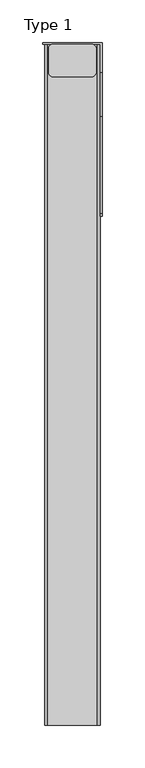
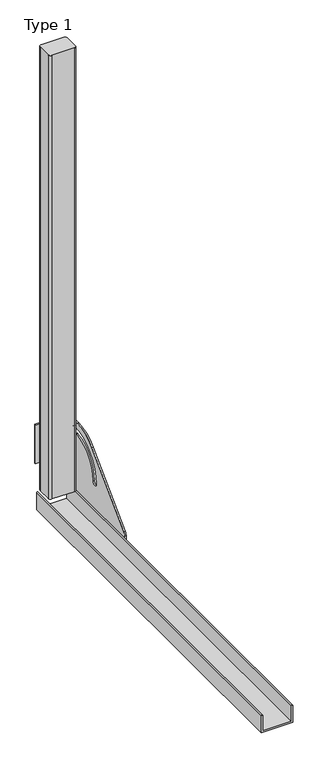
"""IFC4 building model written with IfcOpenShell, lengths in millimetres: railing geometry, Type 1."""

from ifc_helpers import new_model, si_unit, point, frame, frame_2d, origin, place, context, project, spatial, polyline, circle_curve, trimmed, segment, composite_curve, outline, extrude, source, transform, mapped, element, save
from ifc_brep_helpers import plane_surface, cylinder_surface, revolved_surface, advanced_brep


def type_1_eec0e1f5(model_context):
    return source(origin(), model_context, "Body", "SolidModel", [
        advanced_brep(
        [(60.5, 800.0, 185.0), (60.5, 800.0, 100.9768514), (60.5, 800.0, 0.0), (60.5, 598.1818182, 0.0), (60.5, 598.1818182, 41.5250755), (60.5, 601.4657725, 49.4532425), (60.5, 715.6668272, 163.6542972), (60.5, 767.1999123, 185.0), (60.5, 711.3075507, 93.0361974), (60.5, 770.5995631, 159.9373618), (60.5, 773.0909091, 157.7293746), (60.5, 773.0909091, 143.5676849), (60.5, 784.3030303, 143.5676849), (60.5, 784.3030303, 166.031677), (60.5, 778.6969697, 171.6377376), (60.5, 700.0954295, 93.0361974), (63.0, 800.0, 0.0), (63.0, 800.0, 100.9768514), (63.0, 802.0, 100.9768514), (63.0, 802.0, 185.0), (63.0, 767.1999123, 185.0), (63.0, 715.6668272, 163.6542972), (63.0, 601.4657725, 49.4532425), (63.0, 598.1818182, 41.5250755), (63.0, 598.1818182, 0.0), (63.0, 711.3075507, 93.0361974), (63.0, 700.0954295, 93.0361974), (63.0, 778.6969697, 171.6377376), (63.0, 784.3030303, 166.031677), (63.0, 784.3030303, 143.5676849), (63.0, 773.0909091, 143.5676849), (63.0, 773.0909091, 157.7293746), (63.0, 770.5995631, 159.9373618), (-7.0, 802.0, 185.0), (-7.0, 800.0, 185.0), (-7.0, 802.0, 100.9768514), (-7.0, 800.0, 100.9768514)],
        [
            (0, 1),
            (1, 2),
            (2, 3),
            (3, 4),
            (4, 5, circle_curve(frame((60.5, 609.3939394, 41.5250755), z_axis=(-1.0, 0.0, 0.0), x_axis=(0.0, 1.0, 0.0)), 11.2121212)),
            (5, 6),
            (6, 7, circle_curve(frame((60.5, 767.1999123, 112.1212121), z_axis=(-1.0, 0.0, 0.0), x_axis=(0.0, 1.0, 0.0)), 72.8787879)),
            (7, 0),
            (8, 9, circle_curve(frame((60.5, 778.6969697, 93.0361974), z_axis=(-1.0, 0.0, 0.0), x_axis=(0.0, 1.0, 0.0)), 67.389419)),
            (9, 10, circle_curve(frame((60.5, 770.8668077, 157.7293746), z_axis=(-1.0, 0.0, 0.0), x_axis=(0.0, 1.0, 0.0)), 2.2241014)),
            (10, 11),
            (11, 12, circle_curve(frame((60.5, 778.6969697, 143.5676849), z_axis=(1.0, 0.0, 0.0), x_axis=(0.0, 1.0, 0.0)), 5.6060606)),
            (12, 13),
            (13, 14, circle_curve(frame((60.5, 778.6969697, 166.031677), z_axis=(1.0, 0.0, 0.0), x_axis=(0.0, 1.0, 0.0)), 5.6060606)),
            (14, 15, circle_curve(frame((60.5, 778.6969697, 93.0361974), z_axis=(1.0, 0.0, 0.0), x_axis=(0.0, 1.0, 0.0)), 78.6015402)),
            (15, 8, circle_curve(frame((60.5, 705.7014901, 93.0361974), z_axis=(1.0, 0.0, 0.0), x_axis=(0.0, 1.0, 0.0)), 5.6060606)),
            (16, 17),
            (17, 18),
            (18, 19),
            (19, 20),
            (20, 21, circle_curve(frame((63.0, 767.1999123, 112.1212121), z_axis=(1.0, 0.0, 0.0), x_axis=(0.0, 1.0, 0.0)), 72.8787879)),
            (21, 22),
            (22, 23, circle_curve(frame((63.0, 609.3939394, 41.5250755), z_axis=(1.0, 0.0, 0.0), x_axis=(0.0, 1.0, 0.0)), 11.2121212)),
            (23, 24),
            (24, 16),
            (25, 26, circle_curve(frame((63.0, 705.7014901, 93.0361974), z_axis=(-1.0, 0.0, 0.0), x_axis=(0.0, 1.0, 0.0)), 5.6060606)),
            (26, 27, circle_curve(frame((63.0, 778.6969697, 93.0361974), z_axis=(-1.0, 0.0, 0.0), x_axis=(0.0, 1.0, 0.0)), 78.6015402)),
            (27, 28, circle_curve(frame((63.0, 778.6969697, 166.031677), z_axis=(-1.0, 0.0, 0.0), x_axis=(0.0, 1.0, 0.0)), 5.6060606)),
            (28, 29),
            (29, 30, circle_curve(frame((63.0, 778.6969697, 143.5676849), z_axis=(-1.0, 0.0, 0.0), x_axis=(0.0, 1.0, 0.0)), 5.6060606)),
            (30, 31),
            (31, 32, circle_curve(frame((63.0, 770.8668077, 157.7293746), z_axis=(1.0, 0.0, 0.0), x_axis=(0.0, 1.0, 0.0)), 2.2241014)),
            (32, 25, circle_curve(frame((63.0, 778.6969697, 93.0361974), z_axis=(1.0, 0.0, 0.0), x_axis=(0.0, 1.0, 0.0)), 67.389419)),
            (7, 20),
            (19, 33),
            (33, 34),
            (34, 0),
            (6, 21),
            (5, 22),
            (4, 23),
            (3, 24),
            (2, 16),
            (1, 17),
            (15, 26),
            (25, 8),
            (14, 27),
            (13, 28),
            (32, 9),
            (12, 29),
            (11, 30),
            (10, 31),
            (18, 35),
            (35, 33),
            (36, 1),
            (34, 36),
            (35, 36),
        ],
        [
            plane_surface(frame((60.5, 798.2270223, 185.0), z_axis=(-1.0, 0.0, 0.0), x_axis=(0.0, -1.0, 0.0))),
            plane_surface(frame((63.0, 798.2270223, 185.0), z_axis=(1.0, 0.0, 0.0), x_axis=(0.0, 1.0, 0.0))),
            plane_surface(frame((60.5, 800.0, 185.0), z_axis=(0.0, 0.0, 1.0), x_axis=(1.0, 0.0, 0.0))),
            cylinder_surface(frame((63.0, 767.1999123, 112.1212121), z_axis=(-1.0, 0.0, 0.0), x_axis=(0.0, 1.0, 0.0)), 72.8787879),
            plane_surface(frame((60.5, 715.6668272, 163.6542972), z_axis=(0.0, -0.7071067811865421, 0.7071067811865529), x_axis=(1.0, 0.0, 0.0))),
            cylinder_surface(frame((63.0, 609.3939394, 41.5250755), z_axis=(-1.0, 0.0, 0.0), x_axis=(0.0, 1.0, 0.0)), 11.2121212),
            plane_surface(frame((60.5, 598.1818182, 41.5250755), z_axis=(0.0, -1.0, 0.0), x_axis=(1.0, 0.0, 0.0))),
            plane_surface(frame((60.5, 598.1818182, 0.0), z_axis=(0.0, 0.0, -1.0), x_axis=(1.0, 0.0, 0.0))),
            plane_surface(frame((60.5, 800.0, 0.0), z_axis=(0.0, 1.0, 0.0), x_axis=(1.0, 0.0, 0.0))),
            revolved_surface(polyline([(63.0, 711.3075507, 93.0361974), (60.5, 711.3075507, 93.0361974)]), (63.0, 705.7014901, 93.0361974), (1.0, 0.0, 0.0)),
            revolved_surface(polyline([(63.0, 857.2985099, 93.0361974), (60.5, 857.2985099, 93.0361974)]), (63.0, 778.6969697, 93.0361974), (1.0, 0.0, 0.0)),
            revolved_surface(polyline([(63.0, 784.3030302999999, 166.031677), (60.5, 784.3030302999999, 166.031677)]), (63.0, 778.6969697, 166.031677), (1.0, 0.0, 0.0)),
            cylinder_surface(frame((63.0, 778.6969697, 93.0361974), z_axis=(-1.0, 0.0, 0.0), x_axis=(0.0, 1.0, 0.0)), 67.389419),
            plane_surface(frame((60.5, 784.3030303, 166.031677), z_axis=(0.0, -1.0, 0.0), x_axis=(1.0, 0.0, 0.0))),
            revolved_surface(polyline([(63.0, 784.3030302999999, 143.5676849), (60.5, 784.3030302999999, 143.5676849)]), (63.0, 778.6969697, 143.5676849), (1.0, 0.0, 0.0)),
            plane_surface(frame((60.5, 773.0909091, 143.5676849), z_axis=(0.0, 1.0, 0.0), x_axis=(1.0, 0.0, 0.0))),
            cylinder_surface(frame((63.0, 770.8668077, 157.7293746), z_axis=(-1.0, 0.0, 0.0), x_axis=(0.0, 1.0, 0.0)), 2.2241014),
            plane_surface(frame((-7.0, 802.0, 185.0), z_axis=(0.0, 1.0, 0.0), x_axis=(-1.0, 0.0, 0.0))),
            plane_surface(frame((-7.0, 800.0, 185.0), z_axis=(0.0, -1.0, 0.0), x_axis=(1.0, 0.0, 0.0))),
            plane_surface(frame((-7.0, 802.0, 185.0), z_axis=(-1.0, 0.0, 0.0), x_axis=(0.0, -1.0, 0.0))),
            plane_surface(frame((-7.0, 802.0, 100.9768514), z_axis=(0.0, 0.0, -1.0), x_axis=(0.0, -1.0, 0.0))),
        ],
        [
            (0, [[1, 2, 3, 4, 5, 6, 7, 8], [9, 10, 11, 12, 13, 14, 15, 16]]),
            (1, [[17, 18, 19, 20, 21, 22, 23, 24, 25], [26, 27, 28, 29, 30, 31, 32, 33]]),
            (2, [[34, -20, 35, 36, 37, -8]]),
            (3, [[38, -21, -34, -7]]),
            (4, [[39, -22, -38, -6]]),
            (5, [[40, -23, -39, -5]]),
            (6, [[41, -24, -40, -4]]),
            (7, [[42, -25, -41, -3]]),
            (8, [[-2, 43, -17, -42]]),
            (9, [[44, -26, 45, -16]]),
            (10, [[46, -27, -44, -15]]),
            (11, [[47, -28, -46, -14]]),
            (12, [[-45, -33, 48, -9]]),
            (13, [[49, -29, -47, -13]]),
            (14, [[50, -30, -49, -12]]),
            (15, [[51, -31, -50, -11]]),
            (16, [[-48, -32, -51, -10]]),
            (17, [[-19, 52, 53, -35]]),
            (18, [[54, -1, -37, 55]]),
            (19, [[56, -55, -36, -53]]),
            (20, [[-18, -43, -54, -56, -52]]),
        ],
    ),
        extrude(outline(composite_curve([segment(polyline([(5.0, 800.0), (51.0, 800.0)]), True, "CONTINUOUS"), segment(trimmed(circle_curve(frame_2d((51.0, 795.0)), 5.0), [point((51.0, 800.0))], [point((56.0, 795.0))], False, "CARTESIAN"), True, "CONTINUOUS"), segment(polyline([(56.0, 795.0), (56.0, 767.0)]), True, "CONTINUOUS"), segment(trimmed(circle_curve(frame_2d((51.0, 767.0)), 5.0), [point((56.0, 767.0))], [point((51.0, 762.0))], False, "CARTESIAN"), True, "CONTINUOUS"), segment(polyline([(51.0, 762.0), (5.0, 762.0)]), True, "CONTINUOUS"), segment(trimmed(circle_curve(frame_2d((5.0, 767.0)), 5.0), [point((5.0, 762.0))], [point((0.0, 767.0))], False, "CARTESIAN"), True, "CONTINUOUS"), segment(polyline([(0.0, 767.0), (0.0, 795.0)]), True, "CONTINUOUS"), segment(trimmed(circle_curve(frame_2d((5.0, 795.0)), 5.0), [point((0.0, 795.0))], [point((5.0, 800.0))], False, "CARTESIAN"), True, "CONTINUOUS")], self_intersect=False)), frame((0.0, 0.0, 43.0), z_axis=(0.0, 0.0, 1.0), x_axis=(1.0, 0.0, 0.0)), (0.0, 0.0, 1.0), 965.0),
        extrude(outline(composite_curve([segment(polyline([(0.0, 60.5), (36.5, 60.5)]), True, "CONTINUOUS"), segment(trimmed(circle_curve(frame_2d((36.5, 59.0)), 1.5), [point((36.5, 60.5))], [point((36.5, 57.5))], False, "CARTESIAN"), True, "CONTINUOUS"), segment(polyline([(36.5, 57.5), (3.0, 57.5), (3.0, -1.5), (36.5, -1.5)]), True, "CONTINUOUS"), segment(trimmed(circle_curve(frame_2d((36.5, -3.0)), 1.5), [point((36.5, -1.5))], [point((36.5, -4.5))], False, "CARTESIAN"), True, "CONTINUOUS"), segment(polyline([(36.5, -4.5), (0.0, -4.5), (0.0, 60.5)]), True, "CONTINUOUS")], self_intersect=False)), frame((0.0, 0.0, 0.0), z_axis=(0.0, 1.0, 0.0), x_axis=(0.0, 0.0, 1.0)), (0.0, 0.0, 1.0), 800.0),
    ])


if __name__ == "__main__":
    model = new_model("IFC4")
    model_context = context("Model", 3, world=origin())
    ifc_project = project(units=[si_unit("LENGTHUNIT", "METRE", prefix="MILLI")], contexts=[model_context])
    site = spatial("IfcSite", under=ifc_project)
    building = spatial("IfcBuilding", under=site)
    placement = place(None, origin())
    type_1_shape = type_1_eec0e1f5(model_context)
    element("IfcRailing", 1, ObjectType="Type 1", at=placement, inside=building, context=model_context, shape_type="MappedRepresentation", body=[
        mapped(type_1_shape, transform((0.0, 0.0, 0.0), x_axis=(1.0, 0.0, 0.0), y_axis=(0.0, 1.0, 0.0), z_axis=(0.0, 0.0, 1.0))),
    ])
    save(model, "model.ifc")
